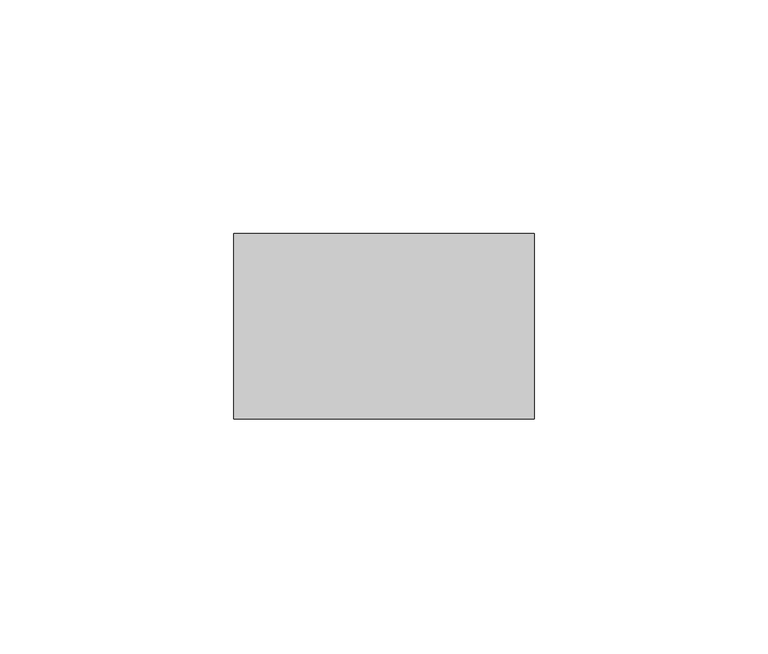
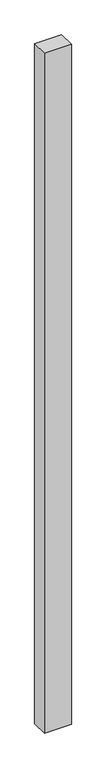
"""IFC4 building model written with IfcOpenShell, lengths in millimetres: plate geometry."""

from ifc_helpers import new_model, si_unit, origin, origin_with_axes, place, context, project, spatial, polyline, outline, extrude, source, transform, mapped, element, save


def plate_08b16c0a(model_context):
    return source(origin(), model_context, "Body", "SweptSolid", [
        extrude(outline(polyline([(32.1340206, -19.84375), (-32.1340206, -19.84375), (-32.1340206, 19.84375), (32.1340206, 19.84375), (32.1340206, -19.84375)])), origin_with_axes(), (0.0, 0.0, 1.0), 1708.8912252),
    ])


if __name__ == "__main__":
    model = new_model("IFC4")
    model_context = context("Model", 3, world=origin())
    ifc_project = project(units=[si_unit("LENGTHUNIT", "METRE", prefix="MILLI")], contexts=[model_context])
    site = spatial("IfcSite", under=ifc_project)
    building = spatial("IfcBuilding", under=site)
    placement = place(None, origin())
    plate_shape = plate_08b16c0a(model_context)
    element("IfcPlate", 1, at=placement, inside=building, context=model_context, shape_type="MappedRepresentation", body=[
        mapped(plate_shape, transform((0.0, 0.0, 0.0), x_axis=(1.0, 0.0, 0.0), y_axis=(0.0, 1.0, 0.0), z_axis=(0.0, 0.0, 1.0))),
    ])
    save(model, "model.ifc")
